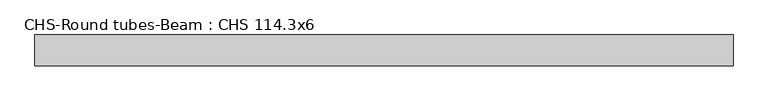
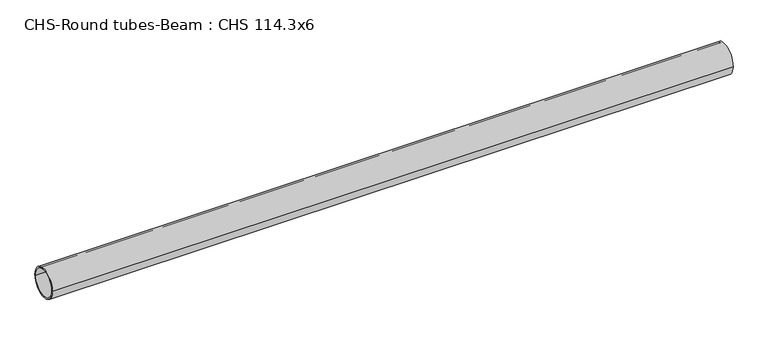
"""IFC4 building model written with IfcOpenShell, lengths in millimetres: beam geometry, CHS-Round tubes-Beam : CHS 114.3x6."""

from ifc_helpers import new_model, si_unit, point, frame, origin, origin_2d, place, context, project, spatial, circle_curve, trimmed, segment, composite_curve, outline, extrude, source, transform, mapped, element, save


def chs_round_tubes_beam_chs_114_3x6_29931530(model_context):
    return source(origin(), model_context, "Body", "SweptSolid", [
        extrude(outline(composite_curve([segment(trimmed(circle_curve(origin_2d(), 57.15), [point((57.15, 0.0))], [point((-57.15, 0.0))], False, "CARTESIAN"), True, "CONTINUOUS"), segment(trimmed(circle_curve(origin_2d(), 57.15), [point((-57.15, 0.0))], [point((57.15, 0.0))], False, "CARTESIAN"), True, "CONTINUOUS")], self_intersect=False), holes=[composite_curve([segment(trimmed(circle_curve(origin_2d(), 51.15), [point((51.15, 0.0))], [point((-51.15, 0.0))], True, "CARTESIAN"), True, "CONTINUOUS"), segment(trimmed(circle_curve(origin_2d(), 51.15), [point((-51.15, 0.0))], [point((51.15, 0.0))], True, "CARTESIAN"), True, "CONTINUOUS")], self_intersect=False)]), frame((-1117.3690881, 0.0, 0.0), z_axis=(1.0, 0.0, 0.0), x_axis=(0.0, 1.0, 0.0)), (0.0, 0.0, 1.0), 2575.3137775),
    ])


if __name__ == "__main__":
    model = new_model("IFC4")
    model_context = context("Model", 3, world=origin())
    ifc_project = project(units=[si_unit("LENGTHUNIT", "METRE", prefix="MILLI")], contexts=[model_context])
    site = spatial("IfcSite", under=ifc_project)
    building = spatial("IfcBuilding", under=site)
    placement = place(None, origin())
    chs_round_tubes_beam_chs_114_3x6_shape = chs_round_tubes_beam_chs_114_3x6_29931530(model_context)
    element("IfcBeam", 1, ObjectType="CHS-Round tubes-Beam : CHS 114.3x6", at=placement, inside=building, context=model_context, shape_type="MappedRepresentation", body=[
        mapped(chs_round_tubes_beam_chs_114_3x6_shape, transform((0.0, 0.0, 0.0), x_axis=(1.0, 0.0, 0.0), y_axis=(0.0, 1.0, 0.0), z_axis=(0.0, 0.0, 1.0))),
    ])
    save(model, "model.ifc")
